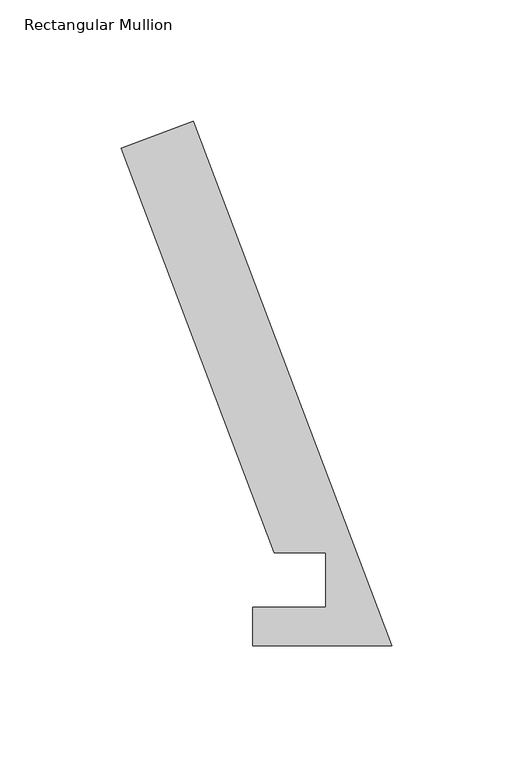
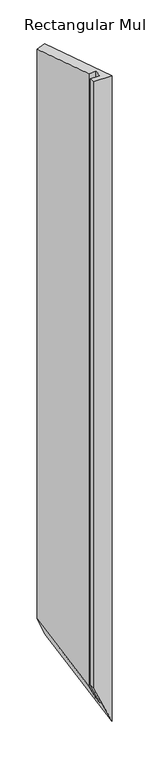
"""IFC4 building model written with IfcOpenShell, lengths in millimetres: member geometry, Rectangular Mullion."""

from ifc_helpers import new_model, si_unit, origin, place, context, project, spatial, faceted_brep, source, transform, mapped, element, save


def rectangular_mullion_1454a685(model_context):
    return source(origin(), model_context, "Body", "Brep", [
        faceted_brep([(-81.7304777, 216.3314444, 0.0), (0.0, 0.0380112, 0.0), (0.0, 0.0380112, -2083.2645823), (-81.7304777, 216.3314444, -1904.3646531), (-111.4308257, 205.1086181, 0.0), (-111.4308257, 205.1086181, -1839.3535299), (-48.4388076, 38.4050794, 0.0), (-48.4388076, 38.4050794, -1977.2368251), (-27.1188377, 38.4018802, 0.0), (-27.1188377, 38.4018802, -2023.9041298), (-27.171167, 15.9130112, 0.0), (-27.171167, 15.9130112, -2023.7895861), (-57.2922169, 15.9130112, 0.0), (-57.2922169, 15.9130112, -1957.8575881), (-57.2922169, 0.0380112, 0.0), (-57.2922169, 0.0380112, -1957.8575881)], [[[0, 1, 2, 3]], [[4, 0, 3, 5]], [[6, 4, 5, 7]], [[8, 6, 7, 9]], [[10, 8, 9, 11]], [[12, 10, 11, 13]], [[14, 12, 13, 15]], [[1, 14, 15, 2]], [[1, 0, 4, 6, 8, 10, 12, 14]], [[2, 15, 13, 11, 9, 7, 5, 3]]]),
    ])


if __name__ == "__main__":
    model = new_model("IFC4")
    model_context = context("Model", 3, world=origin())
    ifc_project = project(units=[si_unit("LENGTHUNIT", "METRE", prefix="MILLI")], contexts=[model_context])
    site = spatial("IfcSite", under=ifc_project)
    building = spatial("IfcBuilding", under=site)
    placement = place(None, origin())
    rectangular_mullion_shape = rectangular_mullion_1454a685(model_context)
    element("IfcMember", 1, ObjectType="Rectangular Mullion", at=placement, inside=building, context=model_context, shape_type="MappedRepresentation", body=[
        mapped(rectangular_mullion_shape, transform((0.0, 0.0, 0.0), x_axis=(1.0, 0.0, 0.0), y_axis=(0.0, 1.0, 0.0), z_axis=(0.0, 0.0, 1.0))),
    ])
    save(model, "model.ifc")
